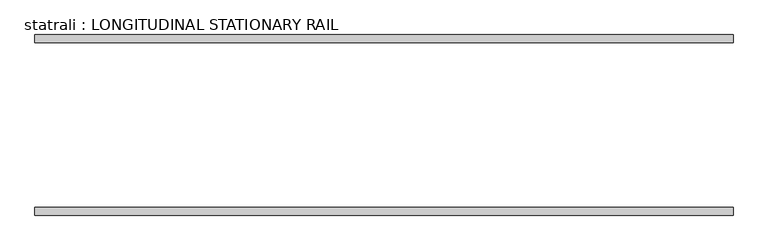
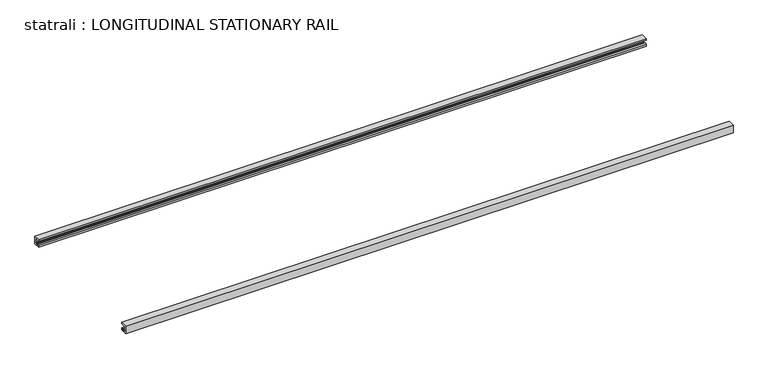
"""IFC4 building model written with IfcOpenShell, lengths in millimetres: proxy geometry, statrali : LONGITUDINAL STATIONARY RAIL."""

from ifc_helpers import new_model, si_unit, frame, origin, place, context, project, spatial, polyline, outline, extrude, source, transform, mapped, element, save


def statrali_longitudinal_stationary_rail_77a8227f(model_context):
    return source(origin(), model_context, "Body", "SweptSolid", [
        extrude(outline(polyline([(-2586.5970657, 2743.2), (-2523.0970657, 2743.2), (-2523.0970657, 2729.5879123), (-2575.6845024, 2729.5879123), (-2575.6845024, 2689.9004123), (-2566.8437974, 2689.9004123), (-2566.8437974, 2680.2041551), (-2540.1362759, 2680.2041551), (-2540.1362759, 2689.9004123), (-2523.0970657, 2689.9004123), (-2523.0970657, 2667.0), (-2586.5970657, 2667.0), (-2586.5970657, 2743.2)])), frame((-313.7987289, 0.0, 0.0), z_axis=(1.0, 0.0, 0.0), x_axis=(0.0, 1.0, 0.0)), (0.0, 0.0, 1.0), 5791.2),
        extrude(outline(polyline([(-1087.9970657, 2743.2), (-1087.9970657, 2667.0), (-1151.4970657, 2667.0), (-1151.4970657, 2689.9004123), (-1134.4578554, 2689.9004123), (-1134.4578554, 2680.2041551), (-1107.750334, 2680.2041551), (-1107.750334, 2689.9004123), (-1098.9096289, 2689.9004123), (-1098.9096289, 2729.5879123), (-1151.4970657, 2729.5879123), (-1151.4970657, 2743.2), (-1087.9970657, 2743.2)])), frame((-313.7987289, 0.0, 0.0), z_axis=(1.0, 0.0, 0.0), x_axis=(0.0, 1.0, 0.0)), (0.0, 0.0, 1.0), 5791.2),
    ])


if __name__ == "__main__":
    model = new_model("IFC4")
    model_context = context("Model", 3, world=origin())
    ifc_project = project(units=[si_unit("LENGTHUNIT", "METRE", prefix="MILLI")], contexts=[model_context])
    site = spatial("IfcSite", under=ifc_project)
    building = spatial("IfcBuilding", under=site)
    placement = place(None, origin())
    statrali_longitudinal_stationary_rail_shape = statrali_longitudinal_stationary_rail_77a8227f(model_context)
    element("IfcBuildingElementProxy", 1, Name="statrali : LONGITUDINAL STATIONARY RAIL", ObjectType="statrali : LONGITUDINAL STATIONARY RAIL", at=placement, inside=building, context=model_context, shape_type="MappedRepresentation", body=[
        mapped(statrali_longitudinal_stationary_rail_shape, transform((0.0, 0.0, 0.0), x_axis=(1.0, 0.0, 0.0), y_axis=(0.0, 1.0, 0.0), z_axis=(0.0, 0.0, 1.0))),
    ])
    save(model, "model.ifc")
